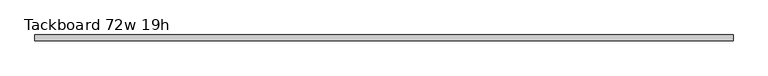
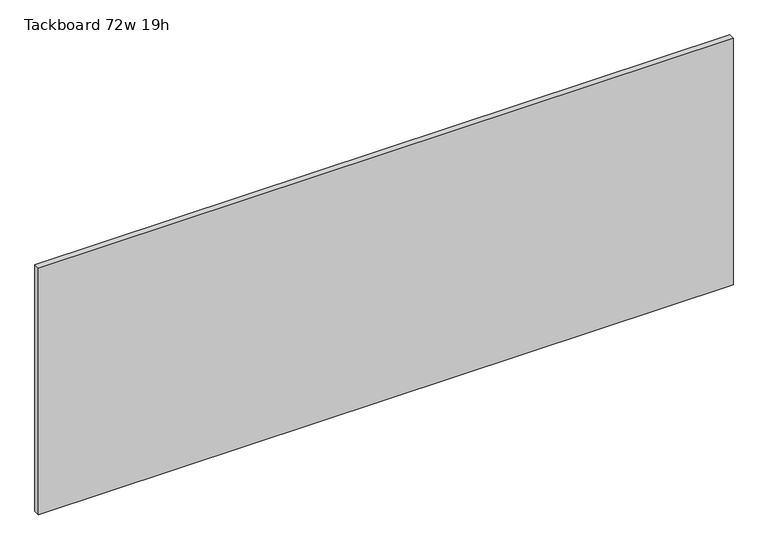
"""IFC4 building model written with IfcOpenShell, lengths in millimetres: furniture geometry, Tackboard 72w 19h."""

from ifc_helpers import new_model, si_unit, frame, origin, place, context, project, spatial, polyline, outline, extrude, source, transform, mapped, element, save


def tackboard_72w_19h_2c4d635f(model_context):
    return source(origin(), model_context, "Body", "SweptSolid", [
        extrude(outline(polyline([(916.8402902, -28.8968594), (-911.9597098, -28.8968594), (-911.9597098, -13.0218594), (916.8402902, -13.0218594), (916.8402902, -28.8968594)])), frame((0.0, 0.0, 1066.8), z_axis=(0.0, 0.0, 1.0), x_axis=(1.0, 0.0, 0.0)), (0.0, 0.0, 1.0), 685.8),
    ])


if __name__ == "__main__":
    model = new_model("IFC4")
    model_context = context("Model", 3, world=origin())
    ifc_project = project(units=[si_unit("LENGTHUNIT", "METRE", prefix="MILLI")], contexts=[model_context])
    site = spatial("IfcSite", under=ifc_project)
    building = spatial("IfcBuilding", under=site)
    placement = place(None, origin())
    tackboard_72w_19h_shape = tackboard_72w_19h_2c4d635f(model_context)
    element("IfcFurniture", 1, ObjectType="Tackboard 72w 19h", at=placement, inside=building, context=model_context, shape_type="MappedRepresentation", body=[
        mapped(tackboard_72w_19h_shape, transform((0.0, 0.0, 0.0), x_axis=(1.0, 0.0, 0.0), y_axis=(0.0, 1.0, 0.0), z_axis=(0.0, 0.0, 1.0))),
    ])
    save(model, "model.ifc")
